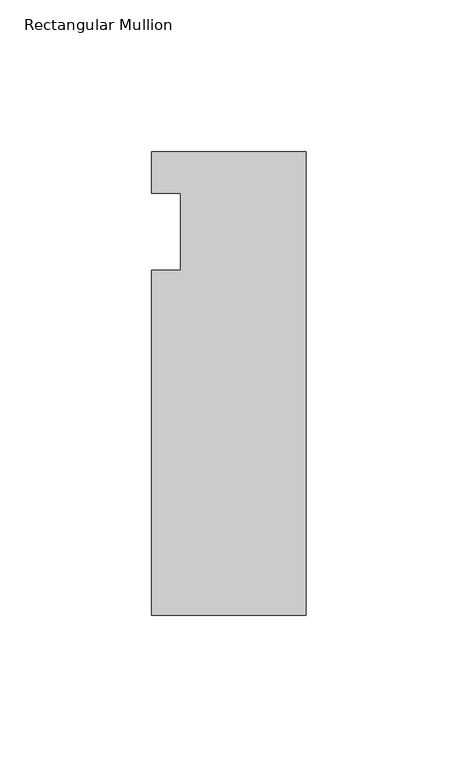
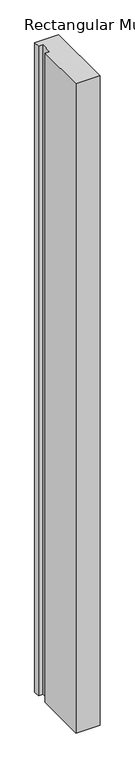
"""IFC4 building model written with IfcOpenShell, lengths in millimetres: member geometry, Rectangular Mullion."""

from ifc_helpers import new_model, si_unit, frame, origin, place, context, project, spatial, polyline, outline, extrude, source, transform, mapped, element, save


def rectangular_mullion_739f05a0(model_context):
    return source(origin(), model_context, "Body", "SweptSolid", [
        extrude(outline(polyline([(-25.4, 26.19375), (25.4, 26.19375), (25.4, -126.20625), (-25.4, -126.20625), (-25.4, -12.7), (-15.875, -12.7), (-15.875, 12.7), (-25.4, 12.7), (-25.4, 26.19375)])), frame((0.0, 0.0, -1460.5), z_axis=(0.0, 0.0, 1.0), x_axis=(1.0, 0.0, 0.0)), (0.0, 0.0, 1.0), 1460.5),
    ])


if __name__ == "__main__":
    model = new_model("IFC4")
    model_context = context("Model", 3, world=origin())
    ifc_project = project(units=[si_unit("LENGTHUNIT", "METRE", prefix="MILLI")], contexts=[model_context])
    site = spatial("IfcSite", under=ifc_project)
    building = spatial("IfcBuilding", under=site)
    placement = place(None, origin())
    rectangular_mullion_shape = rectangular_mullion_739f05a0(model_context)
    element("IfcMember", 1, ObjectType="Rectangular Mullion", at=placement, inside=building, context=model_context, shape_type="MappedRepresentation", body=[
        mapped(rectangular_mullion_shape, transform((0.0, 0.0, 0.0), x_axis=(1.0, 0.0, 0.0), y_axis=(0.0, 1.0, 0.0), z_axis=(0.0, 0.0, 1.0))),
    ])
    save(model, "model.ifc")
